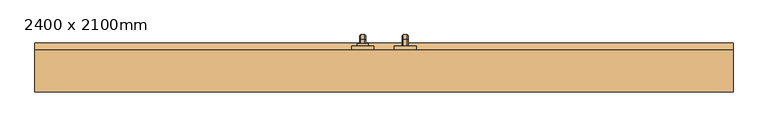
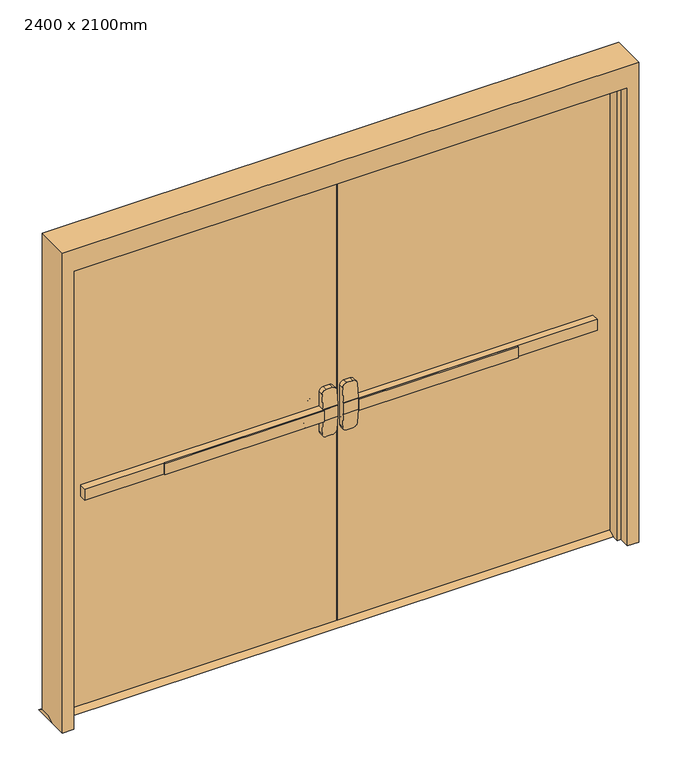
"""IFC4 building model written with IfcOpenShell, lengths in millimetres: door geometry, 2400 x 2100mm."""

from ifc_helpers import new_model, si_unit, point, frame, frame_2d, origin, place, context, project, spatial, polyline, circle_curve, ellipse_curve, trimmed, segment, composite_curve, outline, extrude, faceted_brep, source, transform, mapped, element, save
from ifc_brep_helpers import plane_surface, cylinder_surface, revolved_surface, advanced_brep


def door_2400_x_2100mm_f4c4263e(model_context):
    return source(origin(), model_context, "Body", "SolidModel", [
        extrude(outline(polyline([(-766.1333333, 108.25), (-766.1333333, 114.6), (-76.2, 114.6), (-76.2, 108.25), (-766.1333333, 108.25)])), frame((0.0, 0.0, 974.6), z_axis=(0.0, 0.0, 1.0), x_axis=(1.0, 0.0, 0.0)), (0.0, 0.0, 1.0), 50.8),
        advanced_brep(
        [(-12.7, 114.6, 1025.4), (-76.2, 114.6, 1025.4), (-1111.1, 114.6, 1025.4), (-1111.1, 114.6, 974.6), (-76.2, 114.6, 974.6), (-12.7, 114.6, 974.6), (-1111.1, 146.35, 1025.4), (-76.2, 146.35, 1025.4), (-76.2, 146.35, 1088.9), (-57.15, 146.35, 1107.95), (-31.75, 146.35, 1107.95), (-12.7, 146.35, 1088.9), (-12.7, 146.35, 911.1), (-31.75, 146.35, 892.05), (-57.15, 146.35, 892.05), (-76.2, 146.35, 911.1), (-76.2, 146.35, 974.6), (-1111.1, 146.35, 974.6), (-12.7, 117.7752467, 1025.4), (-76.2, 117.7752467, 1025.4), (-12.7, 117.7752467, 974.6), (-12.7, 122.7854269, 911.1), (-12.7, 122.7854269, 1088.9), (-76.2, 117.7752467, 974.6), (-76.2, 122.7854269, 1088.9), (-76.2, 122.7854269, 911.1), (-57.15, 124.288481, 1107.95), (-31.75, 124.288481, 1107.95), (-31.75, 124.288481, 892.05), (-57.15, 124.288481, 892.05)],
        [
            (0, 1),
            (1, 2),
            (2, 3),
            (3, 4),
            (4, 5),
            (5, 0),
            (6, 7),
            (7, 8),
            (8, 9, circle_curve(frame((-57.15, 146.35, 1088.9), z_axis=(0.0, 1.0, 0.0), x_axis=(-1.0, 0.0, 0.0)), 19.05)),
            (9, 10),
            (10, 11, circle_curve(frame((-31.75, 146.35, 1088.9), z_axis=(0.0, 1.0, 0.0), x_axis=(-1.0, 0.0, 0.0)), 19.05)),
            (11, 12),
            (12, 13, circle_curve(frame((-31.75, 146.35, 911.1), z_axis=(0.0, 1.0, 0.0), x_axis=(-1.0, 0.0, 0.0)), 19.05)),
            (13, 14),
            (14, 15, circle_curve(frame((-57.15, 146.35, 911.1), z_axis=(0.0, 1.0, 0.0), x_axis=(-1.0, 0.0, 0.0)), 19.05)),
            (15, 16),
            (16, 17),
            (17, 6),
            (0, 18),
            (18, 19),
            (19, 7),
            (6, 2),
            (5, 20),
            (20, 21),
            (21, 12),
            (11, 22),
            (22, 18),
            (16, 23),
            (23, 20),
            (3, 17),
            (19, 24),
            (24, 8),
            (15, 25),
            (25, 23),
            (9, 26),
            (26, 27),
            (27, 10),
            (13, 28),
            (28, 29),
            (29, 14),
            (29, 25, ellipse_curve(frame((-57.15, 122.7854269, 911.1), z_axis=(0.0, 0.9969018152893365, 0.07865602756830282), x_axis=(0.0, -0.07865602756830208, 0.9969018152893365)), 19.1092038, 19.05)),
            (24, 26, ellipse_curve(frame((-57.15, 122.7854269, 1088.9), z_axis=(0.0, 0.9969018152893376, -0.07865602756828934), x_axis=(0.0, -0.078656027568288, -0.9969018152893377)), 19.1092038, 19.05)),
            (27, 22, ellipse_curve(frame((-31.75, 122.7854269, 1088.9), z_axis=(0.0, 0.9969018152893376, -0.07865602756828934), x_axis=(0.0, -0.078656027568288, -0.9969018152893377)), 19.1092038, 19.05)),
            (21, 28, ellipse_curve(frame((-31.75, 122.7854269, 911.1), z_axis=(0.0, 0.9969018152893365, 0.07865602756830282), x_axis=(0.0, -0.07865602756830208, 0.9969018152893365)), 19.1092038, 19.05)),
        ],
        [
            plane_surface(frame((-12.7, 114.6, 1025.4), z_axis=(0.0, -1.0, 0.0), x_axis=(1.0, 0.0, 0.0))),
            plane_surface(frame((-12.7, 146.35, 1025.4), z_axis=(0.0, 1.0, 0.0), x_axis=(-1.0, 0.0, 0.0))),
            plane_surface(frame((-1111.1, 114.6, 1025.4), z_axis=(0.0, 0.0, 1.0), x_axis=(0.0, 1.0, 0.0))),
            plane_surface(frame((-12.7, 114.6, 1025.4), z_axis=(1.0, 0.0, 0.0), x_axis=(0.0, 1.0, 0.0))),
            plane_surface(frame((-12.7, 114.6, 974.6), z_axis=(0.0, 0.0, -1.0), x_axis=(0.0, 1.0, 0.0))),
            plane_surface(frame((-1111.1, 114.6, 974.6), z_axis=(-1.0, 0.0, 0.0), x_axis=(0.0, 1.0, 0.0))),
            plane_surface(frame((-76.2, 117.7752467, 911.1), z_axis=(-1.0, 0.0, 0.0), x_axis=(0.0, 1.0, 0.0))),
            plane_surface(frame((-57.15, 117.7752467, 1107.95), z_axis=(0.0, 0.0, 1.0), x_axis=(0.0, 1.0, 0.0))),
            plane_surface(frame((-31.75, 117.7752467, 892.05), z_axis=(0.0, 0.0, -1.0), x_axis=(0.0, 1.0, 0.0))),
            cylinder_surface(frame((-57.15, 146.35, 911.1), z_axis=(0.0, -1.0, 0.0), x_axis=(-1.0, 0.0, 0.0)), 19.05),
            cylinder_surface(frame((-57.15, 146.35, 1088.9), z_axis=(0.0, -1.0, 0.0), x_axis=(-1.0, 0.0, 0.0)), 19.05),
            cylinder_surface(frame((-31.75, 146.35, 1088.9), z_axis=(0.0, -1.0, 0.0), x_axis=(-1.0, 0.0, 0.0)), 19.05),
            cylinder_surface(frame((-31.75, 146.35, 911.1), z_axis=(0.0, -1.0, 0.0), x_axis=(-1.0, 0.0, 0.0)), 19.05),
            plane_surface(frame((-76.2, 117.7752467, 1025.4), z_axis=(0.0, -0.9969018152893376, 0.07865602756828934), x_axis=(1.0, 0.0, 0.0))),
            plane_surface(frame((-76.2, 124.288481, 892.05), z_axis=(0.0, -0.9969018152893365, -0.07865602756830282), x_axis=(1.0, 0.0, 0.0))),
        ],
        [
            (0, [[1, 2, 3, 4, 5, 6]]),
            (1, [[7, 8, 9, 10, 11, 12, 13, 14, 15, 16, 17, 18]]),
            (2, [[-2, -1, 19, 20, 21, -7, 22]]),
            (3, [[23, 24, 25, -12, 26, 27, -19, -6]]),
            (4, [[-17, 28, 29, -23, -5, -4, 30]]),
            (5, [[-22, -18, -30, -3]]),
            (6, [[-21, 31, 32, -8]]),
            (6, [[33, 34, -28, -16]]),
            (7, [[35, 36, 37, -10]]),
            (8, [[38, 39, 40, -14]]),
            (9, [[-40, 41, -33, -15]]),
            (10, [[-32, 42, -35, -9]]),
            (11, [[-37, 43, -26, -11]]),
            (12, [[-25, 44, -38, -13]]),
            (13, [[-27, -43, -36, -42, -31, -20]]),
            (14, [[-29, -34, -41, -39, -44, -24]]),
        ],
    ),
        extrude(outline(polyline([(191.35, 15.0), (216.75, 0.0), (120.95, 0.0), (146.35, 15.0), (191.35, 15.0)])), frame((-1250.0, 0.0, 0.0), z_axis=(1.0, 0.0, 0.0), x_axis=(0.0, 1.0, 0.0)), (0.0, 0.0, 1.0), 2500.0),
        extrude(outline(polyline([(766.1333333, 108.25), (76.2, 108.25), (76.2, 114.6), (766.1333333, 114.6), (766.1333333, 108.25)])), frame((0.0, 0.0, 974.6), z_axis=(0.0, 0.0, 1.0), x_axis=(1.0, 0.0, 0.0)), (0.0, 0.0, 1.0), 50.8),
        advanced_brep(
        [(12.7, 114.6, 1025.4), (12.7, 114.6, 974.6), (76.2, 114.6, 974.6), (1111.1, 114.6, 974.6), (1111.1, 114.6, 1025.4), (76.2, 114.6, 1025.4), (1111.1, 146.35, 1025.4), (1111.1, 146.35, 974.6), (76.2, 146.35, 974.6), (76.2, 146.35, 911.1), (57.15, 146.35, 892.05), (31.75, 146.35, 892.05), (12.7, 146.35, 911.1), (12.7, 146.35, 1088.9), (31.75, 146.35, 1107.95), (57.15, 146.35, 1107.95), (76.2, 146.35, 1088.9), (76.2, 146.35, 1025.4), (76.2, 117.7752467, 1025.4), (12.7, 117.7752467, 1025.4), (12.7, 122.7854269, 1088.9), (12.7, 122.7854269, 911.1), (12.7, 117.7752467, 974.6), (76.2, 117.7752467, 974.6), (76.2, 122.7854269, 911.1), (76.2, 122.7854269, 1088.9), (31.75, 124.288481, 1107.95), (57.15, 124.288481, 1107.95), (57.15, 124.288481, 892.05), (31.75, 124.288481, 892.05)],
        [
            (0, 1),
            (1, 2),
            (2, 3),
            (3, 4),
            (4, 5),
            (5, 0),
            (6, 7),
            (7, 8),
            (8, 9),
            (9, 10, circle_curve(frame((57.15, 146.35, 911.1), z_axis=(0.0, 1.0, 0.0), x_axis=(1.0, 0.0, 0.0)), 19.05)),
            (10, 11),
            (11, 12, circle_curve(frame((31.75, 146.35, 911.1), z_axis=(0.0, 1.0, 0.0), x_axis=(1.0, 0.0, 0.0)), 19.05)),
            (12, 13),
            (13, 14, circle_curve(frame((31.75, 146.35, 1088.9), z_axis=(0.0, 1.0, 0.0), x_axis=(1.0, 0.0, 0.0)), 19.05)),
            (14, 15),
            (15, 16, circle_curve(frame((57.15, 146.35, 1088.9), z_axis=(0.0, 1.0, 0.0), x_axis=(1.0, 0.0, 0.0)), 19.05)),
            (16, 17),
            (17, 6),
            (4, 6),
            (17, 18),
            (18, 19),
            (19, 0),
            (19, 20),
            (20, 13),
            (12, 21),
            (21, 22),
            (22, 1),
            (7, 3),
            (22, 23),
            (23, 8),
            (23, 24),
            (24, 9),
            (16, 25),
            (25, 18),
            (14, 26),
            (26, 27),
            (27, 15),
            (10, 28),
            (28, 29),
            (29, 11),
            (24, 28, ellipse_curve(frame((57.15, 122.7854269, 911.1), z_axis=(0.0, 0.9969018152893365, 0.07865602756830282), x_axis=(0.0, -0.07865602756830208, 0.9969018152893365)), 19.1092038, 19.05)),
            (27, 25, ellipse_curve(frame((57.15, 122.7854269, 1088.9), z_axis=(0.0, 0.9969018152893376, -0.07865602756828934), x_axis=(0.0, -0.078656027568288, -0.9969018152893377)), 19.1092038, 19.05)),
            (20, 26, ellipse_curve(frame((31.75, 122.7854269, 1088.9), z_axis=(0.0, 0.9969018152893376, -0.07865602756828934), x_axis=(0.0, -0.078656027568288, -0.9969018152893377)), 19.1092038, 19.05)),
            (29, 21, ellipse_curve(frame((31.75, 122.7854269, 911.1), z_axis=(0.0, 0.9969018152893365, 0.07865602756830282), x_axis=(0.0, -0.07865602756830208, 0.9969018152893365)), 19.1092038, 19.05)),
        ],
        [
            plane_surface(frame((12.7, 114.6, 1025.4), z_axis=(0.0, -1.0, 0.0), x_axis=(-1.0, 0.0, 0.0))),
            plane_surface(frame((12.7, 146.35, 1025.4), z_axis=(0.0, 1.0, 0.0), x_axis=(1.0, 0.0, 0.0))),
            plane_surface(frame((1111.1, 114.6, 1025.4), z_axis=(0.0, 0.0, 1.0), x_axis=(0.0, 1.0, 0.0))),
            plane_surface(frame((12.7, 114.6, 1025.4), z_axis=(-1.0, 0.0, 0.0), x_axis=(0.0, 1.0, 0.0))),
            plane_surface(frame((12.7, 114.6, 974.6), z_axis=(0.0, 0.0, -1.0), x_axis=(0.0, 1.0, 0.0))),
            plane_surface(frame((1111.1, 114.6, 974.6), z_axis=(1.0, 0.0, 0.0), x_axis=(0.0, 1.0, 0.0))),
            plane_surface(frame((76.2, 117.7752467, 911.1), z_axis=(1.0, 0.0, 0.0), x_axis=(0.0, 1.0, 0.0))),
            plane_surface(frame((57.15, 117.7752467, 1107.95), z_axis=(0.0, 0.0, 1.0), x_axis=(0.0, 1.0, 0.0))),
            plane_surface(frame((31.75, 117.7752467, 892.05), z_axis=(0.0, 0.0, -1.0), x_axis=(0.0, 1.0, 0.0))),
            cylinder_surface(frame((57.15, 146.35, 911.1), z_axis=(0.0, -1.0, 0.0), x_axis=(1.0, 0.0, 0.0)), 19.05),
            cylinder_surface(frame((57.15, 146.35, 1088.9), z_axis=(0.0, -1.0, 0.0), x_axis=(1.0, 0.0, 0.0)), 19.05),
            cylinder_surface(frame((31.75, 146.35, 1088.9), z_axis=(0.0, -1.0, 0.0), x_axis=(1.0, 0.0, 0.0)), 19.05),
            cylinder_surface(frame((31.75, 146.35, 911.1), z_axis=(0.0, -1.0, 0.0), x_axis=(1.0, 0.0, 0.0)), 19.05),
            plane_surface(frame((76.2, 117.7752467, 1025.4), z_axis=(0.0, -0.9969018152893376, 0.07865602756828934), x_axis=(-1.0, 0.0, 0.0))),
            plane_surface(frame((76.2, 124.288481, 892.05), z_axis=(0.0, -0.9969018152893365, -0.07865602756830282), x_axis=(-1.0, 0.0, 0.0))),
        ],
        [
            (0, [[1, 2, 3, 4, 5, 6]]),
            (1, [[7, 8, 9, 10, 11, 12, 13, 14, 15, 16, 17, 18]]),
            (2, [[19, -18, 20, 21, 22, -6, -5]]),
            (3, [[-1, -22, 23, 24, -13, 25, 26, 27]]),
            (4, [[28, -3, -2, -27, 29, 30, -8]]),
            (5, [[-4, -28, -7, -19]]),
            (6, [[-9, -30, 31, 32]]),
            (6, [[-17, 33, 34, -20]]),
            (7, [[-15, 35, 36, 37]]),
            (8, [[-11, 38, 39, 40]]),
            (9, [[-10, -32, 41, -38]]),
            (10, [[-16, -37, 42, -33]]),
            (11, [[-14, -24, 43, -35]]),
            (12, [[-12, -40, 44, -25]]),
            (13, [[-21, -34, -42, -36, -43, -23]]),
            (14, [[-26, -44, -39, -41, -31, -29]]),
        ],
    ),
        advanced_brep(
        [(66.2, 204.05, 1001.190625), (66.2, 204.05, 998.809375), (69.771875, 204.05, 995.2375), (82.6284594, 204.05, 995.2375), (86.2, 204.05, 998.8090406), (86.2, 204.05, 1001.190625), (82.628125, 204.05, 1004.7625), (69.771875, 204.05, 1004.7625), (66.2, 204.05, 874.609375), (69.771875, 204.05, 871.0375), (82.628125, 204.05, 871.0375), (86.2, 204.05, 874.609375), (86.2, 204.05, 876.9909594), (82.6284594, 204.05, 880.5625), (69.771875, 204.05, 880.5625), (66.2, 204.05, 876.990625), (66.2, 229.45, 1001.190625), (66.2, 243.340625, 987.3), (66.2, 243.340625, 888.5), (66.2, 229.45, 874.609375), (66.2, 229.45, 876.990625), (66.2, 240.959375, 888.5), (66.2, 240.959375, 987.3), (66.2, 229.45, 998.809375), (69.771875, 229.45, 995.2375), (82.6284594, 229.45, 995.2375), (86.2, 229.45, 998.8090406), (86.2, 240.9590406, 987.3), (86.2, 240.9590406, 888.5), (86.2, 229.45, 876.9909594), (86.2, 229.45, 874.609375), (86.2, 243.340625, 888.5), (86.2, 243.340625, 987.3), (86.2, 229.45, 1001.190625), (82.628125, 229.45, 1004.7625), (69.771875, 229.45, 1004.7625), (69.771875, 237.3875, 987.3), (82.6284594, 237.3875, 987.3), (82.628125, 246.9125, 987.3), (69.771875, 246.9125, 987.3), (69.771875, 237.3875, 888.5), (82.6284594, 237.3875, 888.5), (82.628125, 246.9125, 888.5), (69.771875, 246.9125, 888.5), (69.771875, 229.45, 880.5625), (82.6284594, 229.45, 880.5625), (82.628125, 229.45, 871.0375), (69.771875, 229.45, 871.0375)],
        [
            (0, 1),
            (1, 2, circle_curve(frame((69.771875, 204.05, 998.809375), z_axis=(0.0, -1.0, 0.0), x_axis=(0.0, 0.0, 1.0)), 3.571875)),
            (2, 3),
            (3, 4, circle_curve(frame((82.6284594, 204.05, 998.8090406), z_axis=(0.0, -1.0, 0.0), x_axis=(0.0, 0.0, 1.0)), 3.5715406)),
            (4, 5),
            (5, 6, circle_curve(frame((82.628125, 204.05, 1001.190625), z_axis=(0.0, -1.0, 0.0), x_axis=(0.0, 0.0, 1.0)), 3.571875)),
            (6, 7),
            (7, 0, circle_curve(frame((69.771875, 204.05, 1001.190625), z_axis=(0.0, -1.0, 0.0), x_axis=(0.0, 0.0, 1.0)), 3.571875)),
            (8, 9, circle_curve(frame((69.771875, 204.05, 874.609375), z_axis=(0.0, -1.0, 0.0), x_axis=(0.0, 0.0, -1.0)), 3.571875)),
            (9, 10),
            (10, 11, circle_curve(frame((82.628125, 204.05, 874.609375), z_axis=(0.0, -1.0, 0.0), x_axis=(0.0, 0.0, -1.0)), 3.571875)),
            (11, 12),
            (12, 13, circle_curve(frame((82.6284594, 204.05, 876.9909594), z_axis=(0.0, -1.0, 0.0), x_axis=(0.0, 0.0, -1.0)), 3.5715406)),
            (13, 14),
            (14, 15, circle_curve(frame((69.771875, 204.05, 876.990625), z_axis=(0.0, -1.0, 0.0), x_axis=(0.0, 0.0, -1.0)), 3.571875)),
            (15, 8),
            (0, 16),
            (16, 17, circle_curve(frame((66.2, 229.45, 987.3), z_axis=(-1.0, 0.0, 0.0), x_axis=(0.0, 0.0, 1.0)), 13.890625)),
            (17, 18),
            (18, 19, circle_curve(frame((66.2, 229.45, 888.5), z_axis=(-1.0, 0.0, 0.0), x_axis=(0.0, 1.0, 0.0)), 13.890625)),
            (19, 8),
            (15, 20),
            (20, 21, circle_curve(frame((66.2, 229.45, 888.5), z_axis=(1.0, 0.0, 0.0), x_axis=(0.0, 1.0, 0.0)), 11.509375)),
            (21, 22),
            (22, 23, circle_curve(frame((66.2, 229.45, 987.3), z_axis=(1.0, 0.0, 0.0), x_axis=(0.0, 0.0, 1.0)), 11.509375)),
            (23, 1),
            (23, 24, circle_curve(frame((69.771875, 229.45, 998.809375), z_axis=(0.0, -1.0, 0.0), x_axis=(0.0, 0.0, 1.0)), 3.571875)),
            (24, 2),
            (24, 25),
            (25, 3),
            (25, 26, circle_curve(frame((82.6284594, 229.45, 998.8090406), z_axis=(0.0, -1.0, 0.0), x_axis=(0.0, 0.0, 1.0)), 3.5715406)),
            (26, 4),
            (26, 27, circle_curve(frame((86.2, 229.45, 987.3), z_axis=(-1.0, 0.0, 0.0), x_axis=(0.0, 0.0, 1.0)), 11.5090406)),
            (27, 28),
            (28, 29, circle_curve(frame((86.2, 229.45, 888.5), z_axis=(-1.0, 0.0, 0.0), x_axis=(0.0, 1.0, 0.0)), 11.5090406)),
            (29, 12),
            (11, 30),
            (30, 31, circle_curve(frame((86.2, 229.45, 888.5), z_axis=(1.0, 0.0, 0.0), x_axis=(0.0, 1.0, 0.0)), 13.890625)),
            (31, 32),
            (32, 33, circle_curve(frame((86.2, 229.45, 987.3), z_axis=(1.0, 0.0, 0.0), x_axis=(0.0, 0.0, 1.0)), 13.890625)),
            (33, 5),
            (33, 34, circle_curve(frame((82.628125, 229.45, 1001.190625), z_axis=(0.0, -1.0, 0.0), x_axis=(0.0, 0.0, 1.0)), 3.571875)),
            (34, 6),
            (34, 35),
            (35, 7),
            (35, 16, circle_curve(frame((69.771875, 229.45, 1001.190625), z_axis=(0.0, -1.0, 0.0), x_axis=(0.0, 0.0, 1.0)), 3.571875)),
            (36, 24, circle_curve(frame((69.771875, 229.45, 987.3), z_axis=(1.0, 0.0, 0.0), x_axis=(0.0, 0.0, 1.0)), 7.9375)),
            (22, 36, circle_curve(frame((69.771875, 240.959375, 987.3), z_axis=(0.0, 0.0, 1.0), x_axis=(0.0, 1.0, 0.0)), 3.571875)),
            (37, 25, circle_curve(frame((82.6284594, 229.45, 987.3), z_axis=(1.0, 0.0, 0.0), x_axis=(0.0, 0.0, 1.0)), 7.9375)),
            (36, 37),
            (37, 27, circle_curve(frame((82.6284594, 240.9590406, 987.3), z_axis=(0.0, 0.0, 1.0), x_axis=(0.0, 1.0, 0.0)), 3.5715406)),
            (38, 34, circle_curve(frame((82.628125, 229.45, 987.3), z_axis=(1.0, 0.0, 0.0), x_axis=(0.0, 0.0, 1.0)), 17.4625)),
            (32, 38, circle_curve(frame((82.628125, 243.340625, 987.3), z_axis=(0.0, 0.0, 1.0), x_axis=(0.0, 1.0, 0.0)), 3.571875)),
            (39, 35, circle_curve(frame((69.771875, 229.45, 987.3), z_axis=(1.0, 0.0, 0.0), x_axis=(0.0, 0.0, 1.0)), 17.4625)),
            (38, 39),
            (39, 17, circle_curve(frame((69.771875, 243.340625, 987.3), z_axis=(0.0, 0.0, 1.0), x_axis=(0.0, 1.0, 0.0)), 3.571875)),
            (21, 40, circle_curve(frame((69.771875, 240.959375, 888.5), z_axis=(0.0, 0.0, 1.0), x_axis=(0.0, 1.0, 0.0)), 3.571875)),
            (40, 36),
            (40, 41),
            (41, 37),
            (41, 28, circle_curve(frame((82.6284594, 240.9590406, 888.5), z_axis=(0.0, 0.0, 1.0), x_axis=(0.0, 1.0, 0.0)), 3.5715406)),
            (31, 42, circle_curve(frame((82.628125, 243.340625, 888.5), z_axis=(0.0, 0.0, 1.0), x_axis=(0.0, 1.0, 0.0)), 3.571875)),
            (42, 38),
            (42, 43),
            (43, 39),
            (43, 18, circle_curve(frame((69.771875, 243.340625, 888.5), z_axis=(0.0, 0.0, 1.0), x_axis=(0.0, 1.0, 0.0)), 3.571875)),
            (44, 40, circle_curve(frame((69.771875, 229.45, 888.5), z_axis=(1.0, 0.0, 0.0), x_axis=(0.0, 1.0, 0.0)), 7.9375)),
            (20, 44, circle_curve(frame((69.771875, 229.45, 876.990625), z_axis=(0.0, 1.0, 0.0), x_axis=(0.0, 0.0, -1.0)), 3.571875)),
            (45, 41, circle_curve(frame((82.6284594, 229.45, 888.5), z_axis=(1.0, 0.0, 0.0), x_axis=(0.0, 1.0, 0.0)), 7.9375)),
            (44, 45),
            (45, 29, circle_curve(frame((82.6284594, 229.45, 876.9909594), z_axis=(0.0, 1.0, 0.0), x_axis=(0.0, 0.0, -1.0)), 3.5715406)),
            (46, 42, circle_curve(frame((82.628125, 229.45, 888.5), z_axis=(1.0, 0.0, 0.0), x_axis=(0.0, 1.0, 0.0)), 17.4625)),
            (30, 46, circle_curve(frame((82.628125, 229.45, 874.609375), z_axis=(0.0, 1.0, 0.0), x_axis=(0.0, 0.0, -1.0)), 3.571875)),
            (47, 43, circle_curve(frame((69.771875, 229.45, 888.5), z_axis=(1.0, 0.0, 0.0), x_axis=(0.0, 1.0, 0.0)), 17.4625)),
            (46, 47),
            (47, 19, circle_curve(frame((69.771875, 229.45, 874.609375), z_axis=(0.0, 1.0, 0.0), x_axis=(0.0, 0.0, -1.0)), 3.571875)),
            (14, 44),
            (13, 45),
            (10, 46),
            (9, 47),
        ],
        [
            plane_surface(frame((76.2, 204.05, 1000.0), z_axis=(0.0, -1.0, 0.0), x_axis=(1.0, 0.0, 0.0))),
            plane_surface(frame((76.2, 204.05, 875.8), z_axis=(0.0, -1.0, 0.0), x_axis=(1.0, 0.0, 0.0))),
            plane_surface(frame((66.2, 204.05, 1001.190625), z_axis=(-1.0, 0.0, 0.0), x_axis=(0.0, 1.0, 0.0))),
            cylinder_surface(frame((69.771875, 204.05, 998.809375), z_axis=(0.0, -1.0, 0.0), x_axis=(0.0, 0.0, 1.0)), 3.571875),
            plane_surface(frame((69.771875, 204.05, 995.2375), z_axis=(0.0, 0.0, -1.0), x_axis=(0.0, 1.0, 0.0))),
            cylinder_surface(frame((82.6284594, 204.05, 998.8090406), z_axis=(0.0, -1.0, 0.0), x_axis=(0.0, 0.0, 1.0)), 3.5715406),
            plane_surface(frame((86.2, 204.05, 998.8090406), z_axis=(1.0, 0.0, 0.0), x_axis=(0.0, 1.0, 0.0))),
            cylinder_surface(frame((82.628125, 204.05, 1001.190625), z_axis=(0.0, -1.0, 0.0), x_axis=(0.0, 0.0, 1.0)), 3.571875),
            plane_surface(frame((82.628125, 204.05, 1004.7625), z_axis=(0.0, 0.0, 1.0), x_axis=(0.0, 1.0, 0.0))),
            cylinder_surface(frame((69.771875, 204.05, 1001.190625), z_axis=(0.0, -1.0, 0.0), x_axis=(0.0, 0.0, 1.0)), 3.571875),
            revolved_surface(trimmed(ellipse_curve(frame((69.771875, 229.45, 998.809375), z_axis=(0.0, -1.0, 0.0), x_axis=(0.0, 0.0, 1.0)), 3.571875, 3.571875), [point((66.2, 229.45, 998.809375))], [point((69.771875, 229.45, 995.2375))], True, "CARTESIAN"), (76.2, 229.45, 987.3), (-1.0, 0.0, 0.0)),
            revolved_surface(polyline([(69.771875, 229.45, 995.2375), (82.6284594, 229.45, 995.2375)]), (76.2, 229.45, 987.3), (-1.0, 0.0, 0.0)),
            revolved_surface(trimmed(ellipse_curve(frame((82.6284594, 229.45, 998.8090406), z_axis=(0.0, -1.0, 0.0), x_axis=(0.0, 0.0, 1.0)), 3.5715406, 3.5715406), [point((82.6284594, 229.45, 995.2375))], [point((86.2, 229.45, 998.8090406))], True, "CARTESIAN"), (76.2, 229.45, 987.3), (-1.0, 0.0, 0.0)),
            revolved_surface(trimmed(ellipse_curve(frame((82.628125, 229.45, 1001.190625), z_axis=(0.0, -1.0, 0.0), x_axis=(0.0, 0.0, 1.0)), 3.571875, 3.571875), [point((86.2, 229.45, 1001.190625))], [point((82.628125, 229.45, 1004.7625))], True, "CARTESIAN"), (76.2, 229.45, 987.3), (-1.0, 0.0, 0.0)),
            cylinder_surface(frame((76.2, 229.45, 987.3), z_axis=(-1.0, 0.0, 0.0), x_axis=(0.0, 0.0, 1.0)), 17.4625),
            revolved_surface(trimmed(ellipse_curve(frame((69.771875, 229.45, 1001.190625), z_axis=(0.0, -1.0, 0.0), x_axis=(0.0, 0.0, 1.0)), 3.571875, 3.571875), [point((69.771875, 229.45, 1004.7625))], [point((66.2, 229.45, 1001.190625))], True, "CARTESIAN"), (76.2, 229.45, 987.3), (-1.0, 0.0, 0.0)),
            cylinder_surface(frame((69.771875, 240.959375, 987.3), z_axis=(0.0, 0.0, 1.0), x_axis=(0.0, 1.0, 0.0)), 3.571875),
            plane_surface(frame((69.771875, 237.3875, 987.3), z_axis=(0.0, -1.0, 0.0), x_axis=(0.0, 0.0, -1.0))),
            cylinder_surface(frame((82.6284594, 240.9590406, 987.3), z_axis=(0.0, 0.0, 1.0), x_axis=(0.0, 1.0, 0.0)), 3.5715406),
            cylinder_surface(frame((82.628125, 243.340625, 987.3), z_axis=(0.0, 0.0, 1.0), x_axis=(0.0, 1.0, 0.0)), 3.571875),
            plane_surface(frame((82.628125, 246.9125, 987.3), z_axis=(0.0, 1.0, 0.0), x_axis=(0.0, 0.0, -1.0))),
            cylinder_surface(frame((69.771875, 243.340625, 987.3), z_axis=(0.0, 0.0, 1.0), x_axis=(0.0, 1.0, 0.0)), 3.571875),
            revolved_surface(trimmed(ellipse_curve(frame((69.771875, 240.959375, 888.5), z_axis=(0.0, 0.0, 1.0), x_axis=(0.0, 1.0, 0.0)), 3.571875, 3.571875), [point((66.2, 240.959375, 888.5))], [point((69.771875, 237.3875, 888.5))], True, "CARTESIAN"), (76.2, 229.45, 888.5), (-1.0, 0.0, 0.0)),
            revolved_surface(polyline([(69.771875, 237.3875, 888.5), (82.6284594, 237.3875, 888.5)]), (76.2, 229.45, 888.5), (-1.0, 0.0, 0.0)),
            revolved_surface(trimmed(ellipse_curve(frame((82.6284594, 240.9590406, 888.5), z_axis=(0.0, 0.0, 1.0), x_axis=(0.0, 1.0, 0.0)), 3.5715406, 3.5715406), [point((82.6284594, 237.3875, 888.5))], [point((86.2, 240.9590406, 888.5))], True, "CARTESIAN"), (76.2, 229.45, 888.5), (-1.0, 0.0, 0.0)),
            revolved_surface(trimmed(ellipse_curve(frame((82.628125, 243.340625, 888.5), z_axis=(0.0, 0.0, 1.0), x_axis=(0.0, 1.0, 0.0)), 3.571875, 3.571875), [point((86.2, 243.340625, 888.5))], [point((82.628125, 246.9125, 888.5))], True, "CARTESIAN"), (76.2, 229.45, 888.5), (-1.0, 0.0, 0.0)),
            cylinder_surface(frame((76.2, 229.45, 888.5), z_axis=(-1.0, 0.0, 0.0), x_axis=(0.0, 1.0, 0.0)), 17.4625),
            revolved_surface(trimmed(ellipse_curve(frame((69.771875, 243.340625, 888.5), z_axis=(0.0, 0.0, 1.0), x_axis=(0.0, 1.0, 0.0)), 3.571875, 3.571875), [point((69.771875, 246.9125, 888.5))], [point((66.2, 243.340625, 888.5))], True, "CARTESIAN"), (76.2, 229.45, 888.5), (-1.0, 0.0, 0.0)),
            cylinder_surface(frame((69.771875, 229.45, 876.990625), z_axis=(0.0, 1.0, 0.0), x_axis=(0.0, 0.0, -1.0)), 3.571875),
            plane_surface(frame((69.771875, 229.45, 880.5625), z_axis=(0.0, 0.0, 1.0), x_axis=(0.0, -1.0, 0.0))),
            cylinder_surface(frame((82.6284594, 229.45, 876.9909594), z_axis=(0.0, 1.0, 0.0), x_axis=(0.0, 0.0, -1.0)), 3.5715406),
            cylinder_surface(frame((82.628125, 229.45, 874.609375), z_axis=(0.0, 1.0, 0.0), x_axis=(0.0, 0.0, -1.0)), 3.571875),
            plane_surface(frame((82.628125, 229.45, 871.0375), z_axis=(0.0, 0.0, -1.0), x_axis=(0.0, -1.0, 0.0))),
            cylinder_surface(frame((69.771875, 229.45, 874.609375), z_axis=(0.0, 1.0, 0.0), x_axis=(0.0, 0.0, -1.0)), 3.571875),
        ],
        [
            (0, [[1, 2, 3, 4, 5, 6, 7, 8]]),
            (1, [[9, 10, 11, 12, 13, 14, 15, 16]]),
            (2, [[-1, 17, 18, 19, 20, 21, -16, 22, 23, 24, 25, 26]]),
            (3, [[-2, -26, 27, 28]]),
            (4, [[-3, -28, 29, 30]]),
            (5, [[-4, -30, 31, 32]]),
            (6, [[-5, -32, 33, 34, 35, 36, -12, 37, 38, 39, 40, 41]]),
            (7, [[-6, -41, 42, 43]]),
            (8, [[-7, -43, 44, 45]]),
            (9, [[-8, -45, 46, -17]]),
            (10, [[47, -27, -25, 48]]),
            (11, [[49, -29, -47, 50]]),
            (12, [[-33, -31, -49, 51]]),
            (13, [[52, -42, -40, 53]]),
            (14, [[54, -44, -52, 55]]),
            (15, [[-18, -46, -54, 56]]),
            (16, [[-48, -24, 57, 58]]),
            (17, [[-50, -58, 59, 60]]),
            (18, [[-51, -60, 61, -34]]),
            (19, [[-53, -39, 62, 63]]),
            (20, [[-55, -63, 64, 65]]),
            (21, [[-56, -65, 66, -19]]),
            (22, [[67, -57, -23, 68]]),
            (23, [[69, -59, -67, 70]]),
            (24, [[-35, -61, -69, 71]]),
            (25, [[72, -62, -38, 73]]),
            (26, [[74, -64, -72, 75]]),
            (27, [[-20, -66, -74, 76]]),
            (28, [[-68, -22, -15, 77]]),
            (29, [[-70, -77, -14, 78]]),
            (30, [[-71, -78, -13, -36]]),
            (31, [[-73, -37, -11, 79]]),
            (32, [[-75, -79, -10, 80]]),
            (33, [[-76, -80, -9, -21]]),
        ],
    ),
        extrude(outline(composite_curve([segment(trimmed(circle_curve(frame_2d((1094.2338574, 76.2)), 90.1286291), [point((1175.0, 116.2))], [point((1175.0, 36.2))], False, "CARTESIAN"), True, "CONTINUOUS"), segment(polyline([(1175.0, 36.2), (825.0, 36.2)]), True, "CONTINUOUS"), segment(trimmed(circle_curve(frame_2d((905.7661426, 76.2)), 90.1286291), [point((825.0, 36.2))], [point((825.0, 116.2))], False, "CARTESIAN"), True, "CONTINUOUS"), segment(polyline([(825.0, 116.2), (1175.0, 116.2)]), True, "CONTINUOUS")], self_intersect=False)), frame((0.0, 191.35, 0.0), z_axis=(0.0, 1.0, 0.0), x_axis=(0.0, 0.0, 1.0)), (0.0, 0.0, 1.0), 15.0),
        advanced_brep(
        [(-86.2, 204.05, 1001.190625), (-86.2, 204.05, 998.809375), (-82.628125, 204.05, 995.2375), (-69.7715406, 204.05, 995.2375), (-66.2, 204.05, 998.8090406), (-66.2, 204.05, 1001.190625), (-69.771875, 204.05, 1004.7625), (-82.628125, 204.05, 1004.7625), (-86.2, 204.05, 874.609375), (-82.628125, 204.05, 871.0375), (-69.771875, 204.05, 871.0375), (-66.2, 204.05, 874.609375), (-66.2, 204.05, 876.9909594), (-69.7715406, 204.05, 880.5625), (-82.628125, 204.05, 880.5625), (-86.2, 204.05, 876.990625), (-86.2, 229.45, 1001.190625), (-86.2, 243.340625, 987.3), (-86.2, 243.340625, 888.5), (-86.2, 229.45, 874.609375), (-86.2, 229.45, 876.990625), (-86.2, 240.959375, 888.5), (-86.2, 240.959375, 987.3), (-86.2, 229.45, 998.809375), (-82.628125, 229.45, 995.2375), (-69.7715406, 229.45, 995.2375), (-66.2, 229.45, 998.8090406), (-66.2, 240.9590406, 987.3), (-66.2, 240.9590406, 888.5), (-66.2, 229.45, 876.9909594), (-66.2, 229.45, 874.609375), (-66.2, 243.340625, 888.5), (-66.2, 243.340625, 987.3), (-66.2, 229.45, 1001.190625), (-69.771875, 229.45, 1004.7625), (-82.628125, 229.45, 1004.7625), (-82.628125, 237.3875, 987.3), (-69.7715406, 237.3875, 987.3), (-69.771875, 246.9125, 987.3), (-82.628125, 246.9125, 987.3), (-82.628125, 237.3875, 888.5), (-69.7715406, 237.3875, 888.5), (-69.771875, 246.9125, 888.5), (-82.628125, 246.9125, 888.5), (-82.628125, 229.45, 880.5625), (-69.7715406, 229.45, 880.5625), (-69.771875, 229.45, 871.0375), (-82.628125, 229.45, 871.0375)],
        [
            (0, 1),
            (1, 2, circle_curve(frame((-82.628125, 204.05, 998.809375), z_axis=(0.0, -1.0, 0.0), x_axis=(0.0, 0.0, 1.0)), 3.571875)),
            (2, 3),
            (3, 4, circle_curve(frame((-69.7715406, 204.05, 998.8090406), z_axis=(0.0, -1.0, 0.0), x_axis=(0.0, 0.0, 1.0)), 3.5715406)),
            (4, 5),
            (5, 6, circle_curve(frame((-69.771875, 204.05, 1001.190625), z_axis=(0.0, -1.0, 0.0), x_axis=(0.0, 0.0, 1.0)), 3.571875)),
            (6, 7),
            (7, 0, circle_curve(frame((-82.628125, 204.05, 1001.190625), z_axis=(0.0, -1.0, 0.0), x_axis=(0.0, 0.0, 1.0)), 3.571875)),
            (8, 9, circle_curve(frame((-82.628125, 204.05, 874.609375), z_axis=(0.0, -1.0, 0.0), x_axis=(0.0, 0.0, -1.0)), 3.571875)),
            (9, 10),
            (10, 11, circle_curve(frame((-69.771875, 204.05, 874.609375), z_axis=(0.0, -1.0, 0.0), x_axis=(0.0, 0.0, -1.0)), 3.571875)),
            (11, 12),
            (12, 13, circle_curve(frame((-69.7715406, 204.05, 876.9909594), z_axis=(0.0, -1.0, 0.0), x_axis=(0.0, 0.0, -1.0)), 3.5715406)),
            (13, 14),
            (14, 15, circle_curve(frame((-82.628125, 204.05, 876.990625), z_axis=(0.0, -1.0, 0.0), x_axis=(0.0, 0.0, -1.0)), 3.571875)),
            (15, 8),
            (0, 16),
            (16, 17, circle_curve(frame((-86.2, 229.45, 987.3), z_axis=(-1.0, 0.0, 0.0), x_axis=(0.0, 0.0, 1.0)), 13.890625)),
            (17, 18),
            (18, 19, circle_curve(frame((-86.2, 229.45, 888.5), z_axis=(-1.0, 0.0, 0.0), x_axis=(0.0, 1.0, 0.0)), 13.890625)),
            (19, 8),
            (15, 20),
            (20, 21, circle_curve(frame((-86.2, 229.45, 888.5), z_axis=(1.0, 0.0, 0.0), x_axis=(0.0, 1.0, 0.0)), 11.509375)),
            (21, 22),
            (22, 23, circle_curve(frame((-86.2, 229.45, 987.3), z_axis=(1.0, 0.0, 0.0), x_axis=(0.0, 0.0, 1.0)), 11.509375)),
            (23, 1),
            (23, 24, circle_curve(frame((-82.628125, 229.45, 998.809375), z_axis=(0.0, -1.0, 0.0), x_axis=(0.0, 0.0, 1.0)), 3.571875)),
            (24, 2),
            (24, 25),
            (25, 3),
            (25, 26, circle_curve(frame((-69.7715406, 229.45, 998.8090406), z_axis=(0.0, -1.0, 0.0), x_axis=(0.0, 0.0, 1.0)), 3.5715406)),
            (26, 4),
            (26, 27, circle_curve(frame((-66.2, 229.45, 987.3), z_axis=(-1.0, 0.0, 0.0), x_axis=(0.0, 0.0, 1.0)), 11.5090406)),
            (27, 28),
            (28, 29, circle_curve(frame((-66.2, 229.45, 888.5), z_axis=(-1.0, 0.0, 0.0), x_axis=(0.0, 1.0, 0.0)), 11.5090406)),
            (29, 12),
            (11, 30),
            (30, 31, circle_curve(frame((-66.2, 229.45, 888.5), z_axis=(1.0, 0.0, 0.0), x_axis=(0.0, 1.0, 0.0)), 13.890625)),
            (31, 32),
            (32, 33, circle_curve(frame((-66.2, 229.45, 987.3), z_axis=(1.0, 0.0, 0.0), x_axis=(0.0, 0.0, 1.0)), 13.890625)),
            (33, 5),
            (33, 34, circle_curve(frame((-69.771875, 229.45, 1001.190625), z_axis=(0.0, -1.0, 0.0), x_axis=(0.0, 0.0, 1.0)), 3.571875)),
            (34, 6),
            (34, 35),
            (35, 7),
            (35, 16, circle_curve(frame((-82.628125, 229.45, 1001.190625), z_axis=(0.0, -1.0, 0.0), x_axis=(0.0, 0.0, 1.0)), 3.571875)),
            (36, 24, circle_curve(frame((-82.628125, 229.45, 987.3), z_axis=(1.0, 0.0, 0.0), x_axis=(0.0, 0.0, 1.0)), 7.9375)),
            (22, 36, circle_curve(frame((-82.628125, 240.959375, 987.3), z_axis=(0.0, 0.0, 1.0), x_axis=(0.0, 1.0, 0.0)), 3.571875)),
            (37, 25, circle_curve(frame((-69.7715406, 229.45, 987.3), z_axis=(1.0, 0.0, 0.0), x_axis=(0.0, 0.0, 1.0)), 7.9375)),
            (36, 37),
            (37, 27, circle_curve(frame((-69.7715406, 240.9590406, 987.3), z_axis=(0.0, 0.0, 1.0), x_axis=(0.0, 1.0, 0.0)), 3.5715406)),
            (38, 34, circle_curve(frame((-69.771875, 229.45, 987.3), z_axis=(1.0, 0.0, 0.0), x_axis=(0.0, 0.0, 1.0)), 17.4625)),
            (32, 38, circle_curve(frame((-69.771875, 243.340625, 987.3), z_axis=(0.0, 0.0, 1.0), x_axis=(0.0, 1.0, 0.0)), 3.571875)),
            (39, 35, circle_curve(frame((-82.628125, 229.45, 987.3), z_axis=(1.0, 0.0, 0.0), x_axis=(0.0, 0.0, 1.0)), 17.4625)),
            (38, 39),
            (39, 17, circle_curve(frame((-82.628125, 243.340625, 987.3), z_axis=(0.0, 0.0, 1.0), x_axis=(0.0, 1.0, 0.0)), 3.571875)),
            (21, 40, circle_curve(frame((-82.628125, 240.959375, 888.5), z_axis=(0.0, 0.0, 1.0), x_axis=(0.0, 1.0, 0.0)), 3.571875)),
            (40, 36),
            (40, 41),
            (41, 37),
            (41, 28, circle_curve(frame((-69.7715406, 240.9590406, 888.5), z_axis=(0.0, 0.0, 1.0), x_axis=(0.0, 1.0, 0.0)), 3.5715406)),
            (31, 42, circle_curve(frame((-69.771875, 243.340625, 888.5), z_axis=(0.0, 0.0, 1.0), x_axis=(0.0, 1.0, 0.0)), 3.571875)),
            (42, 38),
            (42, 43),
            (43, 39),
            (43, 18, circle_curve(frame((-82.628125, 243.340625, 888.5), z_axis=(0.0, 0.0, 1.0), x_axis=(0.0, 1.0, 0.0)), 3.571875)),
            (44, 40, circle_curve(frame((-82.628125, 229.45, 888.5), z_axis=(1.0, 0.0, 0.0), x_axis=(0.0, 1.0, 0.0)), 7.9375)),
            (20, 44, circle_curve(frame((-82.628125, 229.45, 876.990625), z_axis=(0.0, 1.0, 0.0), x_axis=(0.0, 0.0, -1.0)), 3.571875)),
            (45, 41, circle_curve(frame((-69.7715406, 229.45, 888.5), z_axis=(1.0, 0.0, 0.0), x_axis=(0.0, 1.0, 0.0)), 7.9375)),
            (44, 45),
            (45, 29, circle_curve(frame((-69.7715406, 229.45, 876.9909594), z_axis=(0.0, 1.0, 0.0), x_axis=(0.0, 0.0, -1.0)), 3.5715406)),
            (46, 42, circle_curve(frame((-69.771875, 229.45, 888.5), z_axis=(1.0, 0.0, 0.0), x_axis=(0.0, 1.0, 0.0)), 17.4625)),
            (30, 46, circle_curve(frame((-69.771875, 229.45, 874.609375), z_axis=(0.0, 1.0, 0.0), x_axis=(0.0, 0.0, -1.0)), 3.571875)),
            (47, 43, circle_curve(frame((-82.628125, 229.45, 888.5), z_axis=(1.0, 0.0, 0.0), x_axis=(0.0, 1.0, 0.0)), 17.4625)),
            (46, 47),
            (47, 19, circle_curve(frame((-82.628125, 229.45, 874.609375), z_axis=(0.0, 1.0, 0.0), x_axis=(0.0, 0.0, -1.0)), 3.571875)),
            (14, 44),
            (13, 45),
            (10, 46),
            (9, 47),
        ],
        [
            plane_surface(frame((-76.2, 204.05, 1000.0), z_axis=(0.0, -1.0, 0.0), x_axis=(1.0, 0.0, 0.0))),
            plane_surface(frame((-76.2, 204.05, 875.8), z_axis=(0.0, -1.0, 0.0), x_axis=(1.0, 0.0, 0.0))),
            plane_surface(frame((-86.2, 204.05, 1001.190625), z_axis=(-1.0, 0.0, 0.0), x_axis=(0.0, 1.0, 0.0))),
            cylinder_surface(frame((-82.628125, 204.05, 998.809375), z_axis=(0.0, -1.0, 0.0), x_axis=(0.0, 0.0, 1.0)), 3.571875),
            plane_surface(frame((-82.628125, 204.05, 995.2375), z_axis=(0.0, 0.0, -1.0), x_axis=(0.0, 1.0, 0.0))),
            cylinder_surface(frame((-69.7715406, 204.05, 998.8090406), z_axis=(0.0, -1.0, 0.0), x_axis=(0.0, 0.0, 1.0)), 3.5715406),
            plane_surface(frame((-66.2, 204.05, 998.8090406), z_axis=(1.0, 0.0, 0.0), x_axis=(0.0, 1.0, 0.0))),
            cylinder_surface(frame((-69.771875, 204.05, 1001.190625), z_axis=(0.0, -1.0, 0.0), x_axis=(0.0, 0.0, 1.0)), 3.571875),
            plane_surface(frame((-69.771875, 204.05, 1004.7625), z_axis=(0.0, 0.0, 1.0), x_axis=(0.0, 1.0, 0.0))),
            cylinder_surface(frame((-82.628125, 204.05, 1001.190625), z_axis=(0.0, -1.0, 0.0), x_axis=(0.0, 0.0, 1.0)), 3.571875),
            revolved_surface(trimmed(ellipse_curve(frame((-82.628125, 229.45, 998.809375), z_axis=(0.0, -1.0, 0.0), x_axis=(0.0, 0.0, 1.0)), 3.571875, 3.571875), [point((-86.2, 229.45, 998.809375))], [point((-82.628125, 229.45, 995.2375))], True, "CARTESIAN"), (-76.2, 229.45, 987.3), (-1.0, 0.0, 0.0)),
            revolved_surface(polyline([(-82.628125, 229.45, 995.2375), (-69.7715406, 229.45, 995.2375)]), (-76.2, 229.45, 987.3), (-1.0, 0.0, 0.0)),
            revolved_surface(trimmed(ellipse_curve(frame((-69.7715406, 229.45, 998.8090406), z_axis=(0.0, -1.0, 0.0), x_axis=(0.0, 0.0, 1.0)), 3.5715406, 3.5715406), [point((-69.7715406, 229.45, 995.2375))], [point((-66.2, 229.45, 998.8090406))], True, "CARTESIAN"), (-76.2, 229.45, 987.3), (-1.0, 0.0, 0.0)),
            revolved_surface(trimmed(ellipse_curve(frame((-69.771875, 229.45, 1001.190625), z_axis=(0.0, -1.0, 0.0), x_axis=(0.0, 0.0, 1.0)), 3.571875, 3.571875), [point((-66.2, 229.45, 1001.190625))], [point((-69.771875, 229.45, 1004.7625))], True, "CARTESIAN"), (-76.2, 229.45, 987.3), (-1.0, 0.0, 0.0)),
            cylinder_surface(frame((-76.2, 229.45, 987.3), z_axis=(-1.0, 0.0, 0.0), x_axis=(0.0, 0.0, 1.0)), 17.4625),
            revolved_surface(trimmed(ellipse_curve(frame((-82.628125, 229.45, 1001.190625), z_axis=(0.0, -1.0, 0.0), x_axis=(0.0, 0.0, 1.0)), 3.571875, 3.571875), [point((-82.628125, 229.45, 1004.7625))], [point((-86.2, 229.45, 1001.190625))], True, "CARTESIAN"), (-76.2, 229.45, 987.3), (-1.0, 0.0, 0.0)),
            cylinder_surface(frame((-82.628125, 240.959375, 987.3), z_axis=(0.0, 0.0, 1.0), x_axis=(0.0, 1.0, 0.0)), 3.571875),
            plane_surface(frame((-82.628125, 237.3875, 987.3), z_axis=(0.0, -1.0, 0.0), x_axis=(0.0, 0.0, -1.0))),
            cylinder_surface(frame((-69.7715406, 240.9590406, 987.3), z_axis=(0.0, 0.0, 1.0), x_axis=(0.0, 1.0, 0.0)), 3.5715406),
            cylinder_surface(frame((-69.771875, 243.340625, 987.3), z_axis=(0.0, 0.0, 1.0), x_axis=(0.0, 1.0, 0.0)), 3.571875),
            plane_surface(frame((-69.771875, 246.9125, 987.3), z_axis=(0.0, 1.0, 0.0), x_axis=(0.0, 0.0, -1.0))),
            cylinder_surface(frame((-82.628125, 243.340625, 987.3), z_axis=(0.0, 0.0, 1.0), x_axis=(0.0, 1.0, 0.0)), 3.571875),
            revolved_surface(trimmed(ellipse_curve(frame((-82.628125, 240.959375, 888.5), z_axis=(0.0, 0.0, 1.0), x_axis=(0.0, 1.0, 0.0)), 3.571875, 3.571875), [point((-86.2, 240.959375, 888.5))], [point((-82.628125, 237.3875, 888.5))], True, "CARTESIAN"), (-76.2, 229.45, 888.5), (-1.0, 0.0, 0.0)),
            revolved_surface(polyline([(-82.628125, 237.3875, 888.5), (-69.7715406, 237.3875, 888.5)]), (-76.2, 229.45, 888.5), (-1.0, 0.0, 0.0)),
            revolved_surface(trimmed(ellipse_curve(frame((-69.7715406, 240.9590406, 888.5), z_axis=(0.0, 0.0, 1.0), x_axis=(0.0, 1.0, 0.0)), 3.5715406, 3.5715406), [point((-69.7715406, 237.3875, 888.5))], [point((-66.2, 240.9590406, 888.5))], True, "CARTESIAN"), (-76.2, 229.45, 888.5), (-1.0, 0.0, 0.0)),
            revolved_surface(trimmed(ellipse_curve(frame((-69.771875, 243.340625, 888.5), z_axis=(0.0, 0.0, 1.0), x_axis=(0.0, 1.0, 0.0)), 3.571875, 3.571875), [point((-66.2, 243.340625, 888.5))], [point((-69.771875, 246.9125, 888.5))], True, "CARTESIAN"), (-76.2, 229.45, 888.5), (-1.0, 0.0, 0.0)),
            cylinder_surface(frame((-76.2, 229.45, 888.5), z_axis=(-1.0, 0.0, 0.0), x_axis=(0.0, 1.0, 0.0)), 17.4625),
            revolved_surface(trimmed(ellipse_curve(frame((-82.628125, 243.340625, 888.5), z_axis=(0.0, 0.0, 1.0), x_axis=(0.0, 1.0, 0.0)), 3.571875, 3.571875), [point((-82.628125, 246.9125, 888.5))], [point((-86.2, 243.340625, 888.5))], True, "CARTESIAN"), (-76.2, 229.45, 888.5), (-1.0, 0.0, 0.0)),
            cylinder_surface(frame((-82.628125, 229.45, 876.990625), z_axis=(0.0, 1.0, 0.0), x_axis=(0.0, 0.0, -1.0)), 3.571875),
            plane_surface(frame((-82.628125, 229.45, 880.5625), z_axis=(0.0, 0.0, 1.0), x_axis=(0.0, -1.0, 0.0))),
            cylinder_surface(frame((-69.7715406, 229.45, 876.9909594), z_axis=(0.0, 1.0, 0.0), x_axis=(0.0, 0.0, -1.0)), 3.5715406),
            cylinder_surface(frame((-69.771875, 229.45, 874.609375), z_axis=(0.0, 1.0, 0.0), x_axis=(0.0, 0.0, -1.0)), 3.571875),
            plane_surface(frame((-69.771875, 229.45, 871.0375), z_axis=(0.0, 0.0, -1.0), x_axis=(0.0, -1.0, 0.0))),
            cylinder_surface(frame((-82.628125, 229.45, 874.609375), z_axis=(0.0, 1.0, 0.0), x_axis=(0.0, 0.0, -1.0)), 3.571875),
        ],
        [
            (0, [[1, 2, 3, 4, 5, 6, 7, 8]]),
            (1, [[9, 10, 11, 12, 13, 14, 15, 16]]),
            (2, [[-1, 17, 18, 19, 20, 21, -16, 22, 23, 24, 25, 26]]),
            (3, [[-2, -26, 27, 28]]),
            (4, [[-3, -28, 29, 30]]),
            (5, [[-4, -30, 31, 32]]),
            (6, [[-5, -32, 33, 34, 35, 36, -12, 37, 38, 39, 40, 41]]),
            (7, [[-6, -41, 42, 43]]),
            (8, [[-7, -43, 44, 45]]),
            (9, [[-8, -45, 46, -17]]),
            (10, [[47, -27, -25, 48]]),
            (11, [[49, -29, -47, 50]]),
            (12, [[-33, -31, -49, 51]]),
            (13, [[52, -42, -40, 53]]),
            (14, [[54, -44, -52, 55]]),
            (15, [[-18, -46, -54, 56]]),
            (16, [[-48, -24, 57, 58]]),
            (17, [[-50, -58, 59, 60]]),
            (18, [[-51, -60, 61, -34]]),
            (19, [[-53, -39, 62, 63]]),
            (20, [[-55, -63, 64, 65]]),
            (21, [[-56, -65, 66, -19]]),
            (22, [[67, -57, -23, 68]]),
            (23, [[69, -59, -67, 70]]),
            (24, [[-35, -61, -69, 71]]),
            (25, [[72, -62, -38, 73]]),
            (26, [[74, -64, -72, 75]]),
            (27, [[-20, -66, -74, 76]]),
            (28, [[-68, -22, -15, 77]]),
            (29, [[-70, -77, -14, 78]]),
            (30, [[-71, -78, -13, -36]]),
            (31, [[-73, -37, -11, 79]]),
            (32, [[-75, -79, -10, 80]]),
            (33, [[-76, -80, -9, -21]]),
        ],
    ),
        extrude(outline(composite_curve([segment(trimmed(circle_curve(frame_2d((1098.8, -76.2)), 19.0), [point((1098.8, -95.2))], [point((1098.8, -57.2))], False, "CARTESIAN"), True, "CONTINUOUS"), segment(trimmed(circle_curve(frame_2d((1098.8, -76.2)), 19.0), [point((1098.8, -57.2))], [point((1098.8, -95.2))], False, "CARTESIAN"), True, "CONTINUOUS")], self_intersect=False)), frame((0.0, 206.35, 0.0), z_axis=(0.0, 1.0, 0.0), x_axis=(0.0, 0.0, 1.0)), (0.0, 0.0, 1.0), 8.73125),
        extrude(outline(composite_curve([segment(trimmed(circle_curve(frame_2d((1094.2338574, -76.2)), 90.1286291), [point((1175.0, -36.2))], [point((1175.0, -116.2))], False, "CARTESIAN"), True, "CONTINUOUS"), segment(polyline([(1175.0, -116.2), (825.0, -116.2)]), True, "CONTINUOUS"), segment(trimmed(circle_curve(frame_2d((905.7661426, -76.2)), 90.1286291), [point((825.0, -116.2))], [point((825.0, -36.2))], False, "CARTESIAN"), True, "CONTINUOUS"), segment(polyline([(825.0, -36.2), (1175.0, -36.2)]), True, "CONTINUOUS")], self_intersect=False)), frame((0.0, 191.35, 0.0), z_axis=(0.0, 1.0, 0.0), x_axis=(0.0, 0.0, 1.0)), (0.0, 0.0, 1.0), 15.0),
        faceted_brep([(1200.0, 141.5875, 0.0), (1200.0, 191.35, 0.0), (1250.0, 191.35, 0.0), (1250.0, 41.35, 0.0), (1200.0, 41.35, 0.0), (1200.0, 90.5625, 0.0), (1184.125, 90.5625, 0.0), (1184.125, 141.5875, 0.0), (1200.0, 141.5875, 2100.0), (1200.0, 191.35, 2100.0), (-1200.0, 191.35, 2100.0), (-1200.0, 191.35, 0.0), (-1250.0, 191.35, 0.0), (-1250.0, 191.35, 2200.0), (1250.0, 191.35, 2200.0), (1250.0, 41.35, 2200.0), (-1250.0, 41.35, 2200.0), (-1250.0, 41.35, 0.0), (-1200.0, 41.35, 0.0), (-1200.0, 41.35, 2100.0), (1200.0, 41.35, 2100.0), (1200.0, 90.5625, 2100.0), (-1200.0, 90.5625, 2100.0), (-1200.0, 90.5625, 0.0), (-1184.125, 90.5625, 0.0), (-1184.125, 90.5625, 2084.125), (1184.125, 90.5625, 2084.125), (1184.125, 141.5875, 2084.125), (-1184.125, 141.5875, 2084.125), (-1184.125, 141.5875, 0.0), (-1200.0, 141.5875, 0.0), (-1200.0, 141.5875, 2100.0)], [[[0, 1, 2, 3, 4, 5, 6, 7]], [[1, 0, 8, 9]], [[2, 1, 9, 10, 11, 12, 13, 14]], [[3, 2, 14, 15]], [[4, 3, 15, 16, 17, 18, 19, 20]], [[5, 4, 20, 21]], [[6, 5, 21, 22, 23, 24, 25, 26]], [[7, 6, 26, 27]], [[0, 7, 27, 28, 29, 30, 31, 8]], [[9, 8, 31, 10]], [[20, 19, 22, 21]], [[26, 25, 28, 27]], [[12, 11, 30, 29, 24, 23, 18, 17]], [[11, 10, 31, 30]], [[13, 12, 17, 16]], [[19, 18, 23, 22]], [[25, 24, 29, 28]], [[15, 14, 13, 16]]]),
        extrude(outline(polyline([(1200.0, 146.35), (1.5875, 146.35), (1.5875, 191.35), (1200.0, 191.35), (1200.0, 146.35)])), frame((0.0, 0.0, 15.0), z_axis=(0.0, 0.0, 1.0), x_axis=(1.0, 0.0, 0.0)), (0.0, 0.0, 1.0), 2085.0),
        extrude(outline(polyline([(-1.5875, 146.35), (-1200.0, 146.35), (-1200.0, 191.35), (-1.5875, 191.35), (-1.5875, 146.35)])), frame((0.0, 0.0, 15.0), z_axis=(0.0, 0.0, 1.0), x_axis=(1.0, 0.0, 0.0)), (0.0, 0.0, 1.0), 2085.0),
    ])


if __name__ == "__main__":
    model = new_model("IFC4")
    model_context = context("Model", 3, world=origin())
    ifc_project = project(units=[si_unit("LENGTHUNIT", "METRE", prefix="MILLI")], contexts=[model_context])
    site = spatial("IfcSite", under=ifc_project)
    building = spatial("IfcBuilding", under=site)
    placement = place(None, origin())
    door_2400_x_2100mm_shape = door_2400_x_2100mm_f4c4263e(model_context)
    element("IfcDoor", 1, ObjectType="2400 x 2100mm", at=placement, inside=building, context=model_context, shape_type="MappedRepresentation", body=[
        mapped(door_2400_x_2100mm_shape, transform((0.0, 0.0, 0.0), x_axis=(1.0, 0.0, 0.0), y_axis=(0.0, 1.0, 0.0), z_axis=(0.0, 0.0, 1.0))),
    ])
    save(model, "model.ifc")
